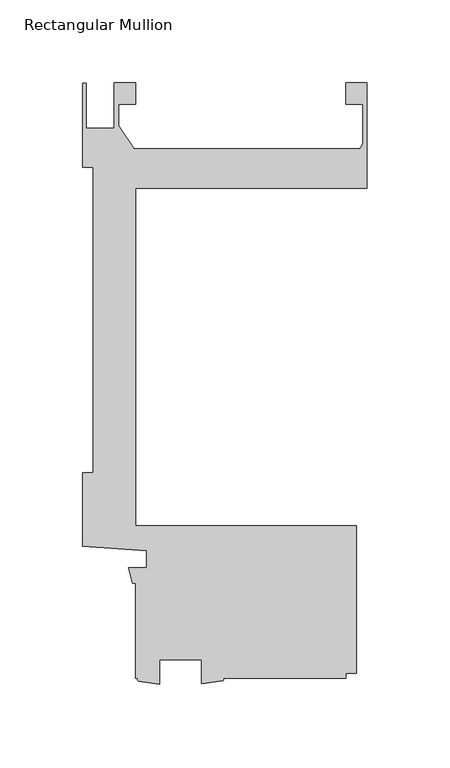
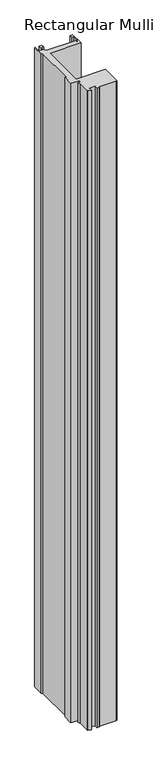
"""IFC4 building model written with IfcOpenShell, lengths in millimetres: member geometry, Rectangular Mullion."""

from ifc_helpers import new_model, si_unit, point, frame, frame_2d, origin, place, context, project, spatial, polyline, circle_curve, trimmed, segment, composite_curve, outline, extrude, source, transform, mapped, element, save


def rectangular_mullion_9146d1f7(model_context):
    return source(origin(), model_context, "Body", "SweptSolid", [
        extrude(outline(composite_curve([segment(polyline([(-171.4510934, -6.2322928), (-171.4510934, 38.1), (-165.3364335, 38.1), (-165.3364335, 222.2499996), (-171.4499999, 222.2499996), (-171.4499999, 273.0499996), (-169.4179999, 273.0499996), (-169.4179999, 245.8901991), (-152.5173426, 245.8901991), (-152.5173426, 273.0754), (-139.6770294, 273.0754), (-139.6770294, 260.3754), (-149.9773426, 260.3754), (-149.9773426, 247.3445453), (-140.6789127, 233.3497996), (-4.3676768, 233.3497996)]), True, "CONTINUOUS"), segment(trimmed(circle_curve(frame_2d((-8.89, 237.8075)), 6.35), [point((-4.3676768, 233.3497996))], [point((-2.54, 237.8075))], True, "CARTESIAN"), True, "CONTINUOUS"), segment(polyline([(-2.54, 237.8075), (-2.54, 260.3754), (-12.720056, 260.3754), (-12.720056, 273.0754), (0.0, 273.0754), (0.0, 209.55), (-139.7010309, 209.55), (-139.7010309, 6.35), (-6.3510934, 6.35), (-6.3510934, -82.549973), (-12.7010309, -82.549973), (-12.7010309, -85.725127), (-87.0975059, -85.725127)]), True, "CONTINUOUS"), segment(trimmed(circle_curve(frame_2d((-87.4703696, -86.523127)), 0.8808129), [point((-87.0975059, -85.725127))], [point((-87.0975059, -87.321127))], False, "CARTESIAN"), True, "CONTINUOUS"), segment(polyline([(-87.0975059, -87.321127), (-99.7975059, -89.121127), (-99.7975059, -74.612627), (-125.1975059, -74.612627), (-125.1975059, -89.2446487), (-137.9705587, -87.3885314)]), True, "CONTINUOUS"), segment(trimmed(circle_curve(frame_2d((-137.4941016, -86.5568292)), 0.9585092), [point((-137.9705587, -87.3885314))], [point((-137.9705587, -85.725127))], False, "CARTESIAN"), True, "CONTINUOUS"), segment(polyline([(-137.9705587, -85.725127), (-139.7010309, -85.725127), (-139.7010309, -28.575), (-141.4322951, -28.575), (-143.8744778, -19.05), (-133.0838609, -19.05), (-133.0838609, -8.89), (-171.4510934, -6.2322928)]), True, "CONTINUOUS")], self_intersect=False)), frame((0.0, 0.0, -3048.0), z_axis=(0.0, 0.0, 1.0), x_axis=(1.0, 0.0, 0.0)), (0.0, 0.0, 1.0), 3048.0),
    ])


if __name__ == "__main__":
    model = new_model("IFC4")
    model_context = context("Model", 3, world=origin())
    ifc_project = project(units=[si_unit("LENGTHUNIT", "METRE", prefix="MILLI")], contexts=[model_context])
    site = spatial("IfcSite", under=ifc_project)
    building = spatial("IfcBuilding", under=site)
    placement = place(None, origin())
    rectangular_mullion_shape = rectangular_mullion_9146d1f7(model_context)
    element("IfcMember", 1, ObjectType="Rectangular Mullion", at=placement, inside=building, context=model_context, shape_type="MappedRepresentation", body=[
        mapped(rectangular_mullion_shape, transform((0.0, 0.0, 0.0), x_axis=(1.0, 0.0, 0.0), y_axis=(0.0, 1.0, 0.0), z_axis=(0.0, 0.0, 1.0))),
    ])
    save(model, "model.ifc")
